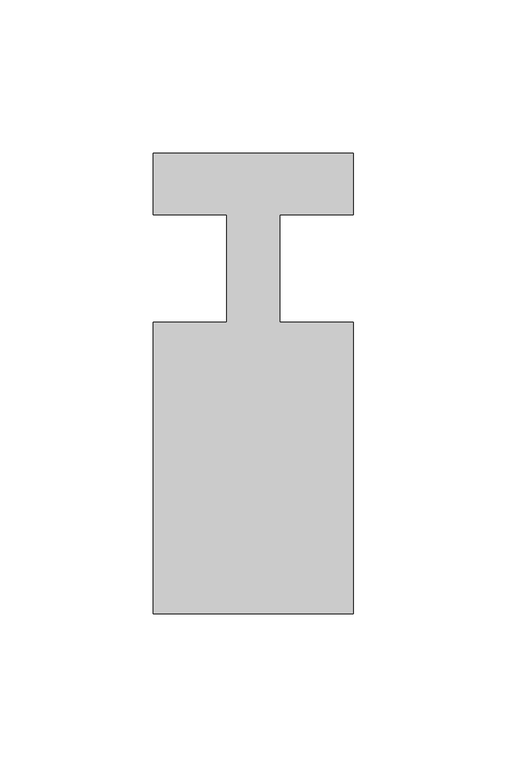
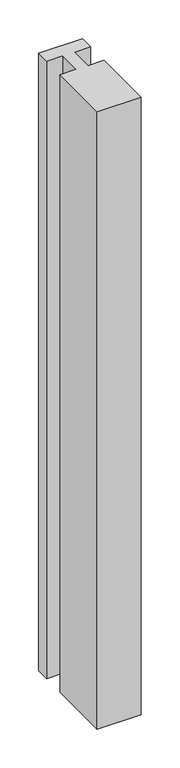
"""IFC4 building model written with IfcOpenShell, lengths in millimetres: member geometry."""

from ifc_helpers import new_model, si_unit, frame, origin, place, context, project, spatial, polyline, outline, extrude, source, transform, mapped, element, save


def member_3774470c(model_context):
    return source(origin(), model_context, "Body", "SweptSolid", [
        extrude(outline(polyline([(-65.0, 37.0), (0.0, 37.0), (0.0, 17.0), (-23.8125, 17.0), (-23.8125, -18.0), (0.0, -18.0), (0.0, -113.0), (-65.0, -113.0), (-65.0, -18.0), (-41.1875, -18.0), (-41.1875, 17.0), (-65.0, 17.0), (-65.0, 37.0)])), frame((0.0, 0.0, -967.5), z_axis=(0.0, 0.0, 1.0), x_axis=(1.0, 0.0, 0.0)), (0.0, 0.0, 1.0), 967.5),
    ])


if __name__ == "__main__":
    model = new_model("IFC4")
    model_context = context("Model", 3, world=origin())
    ifc_project = project(units=[si_unit("LENGTHUNIT", "METRE", prefix="MILLI")], contexts=[model_context])
    site = spatial("IfcSite", under=ifc_project)
    building = spatial("IfcBuilding", under=site)
    placement = place(None, origin())
    member_shape = member_3774470c(model_context)
    element("IfcMember", 1, at=placement, inside=building, context=model_context, shape_type="MappedRepresentation", body=[
        mapped(member_shape, transform((0.0, 0.0, 0.0), x_axis=(1.0, 0.0, 0.0), y_axis=(0.0, 1.0, 0.0), z_axis=(0.0, 0.0, 1.0))),
    ])
    save(model, "model.ifc")
